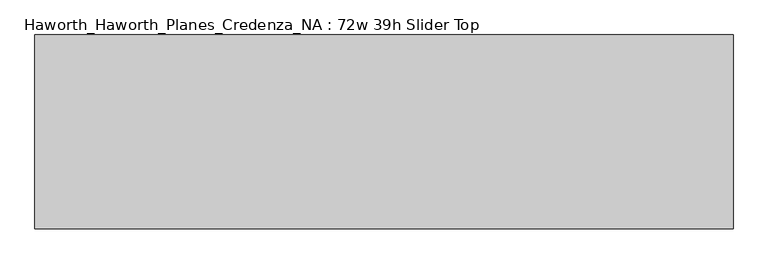
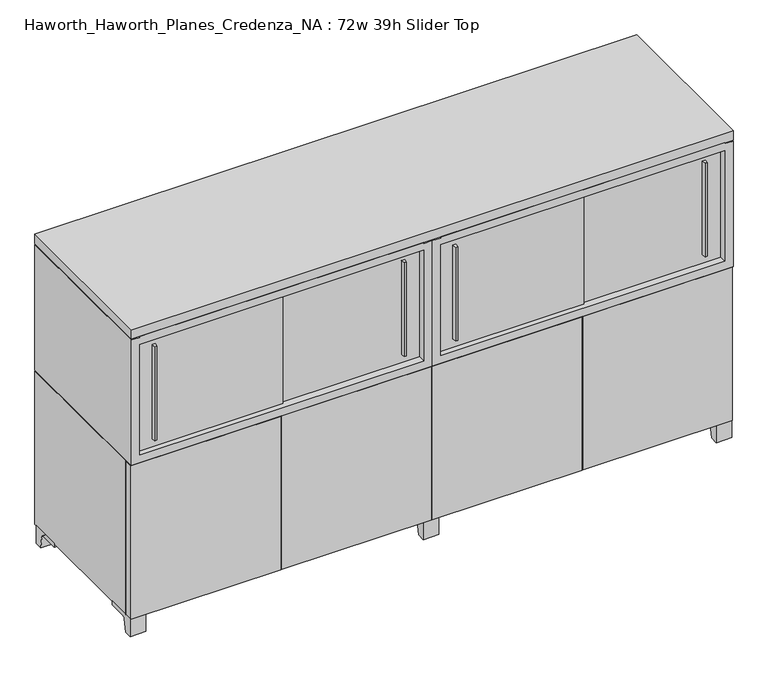
"""IFC4 building model written with IfcOpenShell, lengths in millimetres: furniture geometry, Haworth_Haworth_Planes_Credenza_NA : 72w 39h Slider Top."""

from ifc_helpers import new_model, si_unit, point, frame, frame_2d, origin, place, context, project, spatial, polyline, circle_curve, trimmed, segment, composite_curve, outline, extrude, faceted_brep, source, transform, mapped, element, save


def haworth_haworth_planes_credenza_na_72w_39h_slider_top_29de8403(model_context):
    return source(origin(), model_context, "Body", "SolidModel", [
        extrude(outline(composite_curve([segment(polyline([(-368.5593029, 0.0), (-392.900956, 0.0), (-392.900956, 57.15), (-297.650956, 57.15), (-297.650956, 44.45), (-355.7717125, 44.45)]), True, "CONTINUOUS"), segment(trimmed(circle_curve(frame_2d((-355.7717125, 38.1)), 6.35), [point((-355.7717125, 44.45))], [point((-362.0353139, 39.1439336))], True, "CARTESIAN"), True, "CONTINUOUS"), segment(polyline([(-362.0353139, 39.1439336), (-368.5593029, 0.0)]), True, "CONTINUOUS")], self_intersect=False)), frame((1182.3480475, 0.0, 0.0), z_axis=(1.0, 0.0, 0.0), x_axis=(0.0, 1.0, 0.0)), (0.0, 0.0, 1.0), 47.625),
        extrude(outline(composite_curve([segment(polyline([(78.0573909, 0.0), (71.533402, 39.1439336)]), True, "CONTINUOUS"), segment(trimmed(circle_curve(frame_2d((65.2698006, 38.1)), 6.35), [point((71.533402, 39.1439336))], [point((65.2698006, 44.45))], True, "CARTESIAN"), True, "CONTINUOUS"), segment(polyline([(65.2698006, 44.45), (7.149044, 44.45), (7.149044, 57.15), (102.399044, 57.15), (102.399044, 0.0), (78.0573909, 0.0)]), True, "CONTINUOUS")], self_intersect=False)), frame((1182.3480475, 0.0, 0.0), z_axis=(1.0, 0.0, 0.0), x_axis=(0.0, 1.0, 0.0)), (0.0, 0.0, 1.0), 47.625),
        extrude(outline(composite_curve([segment(polyline([(-368.5593029, 0.0), (-392.900956, 0.0), (-392.900956, 57.15), (-297.650956, 57.15), (-297.650956, 44.45), (-355.7717125, 44.45)]), True, "CONTINUOUS"), segment(trimmed(circle_curve(frame_2d((-355.7717125, 38.1)), 6.35), [point((-355.7717125, 44.45))], [point((-362.0353139, 39.1439336))], True, "CARTESIAN"), True, "CONTINUOUS"), segment(polyline([(-362.0353139, 39.1439336), (-368.5593029, 0.0)]), True, "CONTINUOUS")], self_intersect=False)), frame((-598.8269525, 0.0, 0.0), z_axis=(1.0, 0.0, 0.0), x_axis=(0.0, 1.0, 0.0)), (0.0, 0.0, 1.0), 47.625),
        extrude(outline(composite_curve([segment(polyline([(78.0573909, 0.0), (71.533402, 39.1439336)]), True, "CONTINUOUS"), segment(trimmed(circle_curve(frame_2d((65.2698006, 38.1)), 6.35), [point((71.533402, 39.1439336))], [point((65.2698006, 44.45))], True, "CARTESIAN"), True, "CONTINUOUS"), segment(polyline([(65.2698006, 44.45), (7.149044, 44.45), (7.149044, 57.15), (102.399044, 57.15), (102.399044, 0.0), (78.0573909, 0.0)]), True, "CONTINUOUS")], self_intersect=False)), frame((-598.8269525, 0.0, 0.0), z_axis=(1.0, 0.0, 0.0), x_axis=(0.0, 1.0, 0.0)), (0.0, 0.0, 1.0), 47.625),
        extrude(outline(composite_curve([segment(polyline([(-368.5593029, 0.0), (-392.900956, 0.0), (-392.900956, 57.15), (-297.650956, 57.15), (-297.650956, 44.45), (-355.7717125, 44.45)]), True, "CONTINUOUS"), segment(trimmed(circle_curve(frame_2d((-355.7717125, 38.1)), 6.35), [point((-355.7717125, 44.45))], [point((-362.0353139, 39.1439336))], True, "CARTESIAN"), True, "CONTINUOUS"), segment(polyline([(-362.0353139, 39.1439336), (-368.5593029, 0.0)]), True, "CONTINUOUS")], self_intersect=False)), frame((291.7605475, 0.0, 0.0), z_axis=(1.0, 0.0, 0.0), x_axis=(0.0, 1.0, 0.0)), (0.0, 0.0, 1.0), 47.625),
        extrude(outline(composite_curve([segment(polyline([(78.0573909, 0.0), (71.533402, 39.1439336)]), True, "CONTINUOUS"), segment(trimmed(circle_curve(frame_2d((65.2698006, 38.1)), 6.35), [point((71.533402, 39.1439336))], [point((65.2698006, 44.45))], True, "CARTESIAN"), True, "CONTINUOUS"), segment(polyline([(65.2698006, 44.45), (7.149044, 44.45), (7.149044, 57.15), (102.399044, 57.15), (102.399044, 0.0), (78.0573909, 0.0)]), True, "CONTINUOUS")], self_intersect=False)), frame((291.7605475, 0.0, 0.0), z_axis=(1.0, 0.0, 0.0), x_axis=(0.0, 1.0, 0.0)), (0.0, 0.0, 1.0), 47.625),
        extrude(outline(polyline([(315.5730475, -396.075956), (315.5730475, -370.675956), (771.1855475, -370.675956), (771.1855475, -396.075956), (315.5730475, -396.075956)])), frame((0.0, 0.0, 57.15), z_axis=(0.0, 0.0, 1.0), x_axis=(1.0, 0.0, 0.0)), (0.0, 0.0, 1.0), 493.7125),
        extrude(outline(polyline([(1229.9730475, -396.075956), (774.3605475, -396.075956), (774.3605475, -370.675956), (1229.9730475, -370.675956), (1229.9730475, -396.075956)])), frame((0.0, 0.0, 57.15), z_axis=(0.0, 0.0, 1.0), x_axis=(1.0, 0.0, 0.0)), (0.0, 0.0, 1.0), 493.7125),
        extrude(outline(polyline([(1156.9480478, -389.7259439), (1150.5980471, -389.7259439), (1149.0105486, -377.025956), (1158.5355463, -377.025956), (1156.9480478, -389.7259439)])), frame((0.0, 0.0, 606.425), z_axis=(0.0, 0.0, 1.0), x_axis=(1.0, 0.0, 0.0)), (0.0, 0.0, 1.0), 301.625),
        extrude(outline(polyline([(394.9480478, -396.0759439), (388.5980471, -396.0759439), (387.0105486, -383.375956), (396.5355463, -383.375956), (394.9480478, -396.0759439)])), frame((0.0, 0.0, 606.425), z_axis=(0.0, 0.0, 1.0), x_axis=(1.0, 0.0, 0.0)), (0.0, 0.0, 1.0), 301.625),
        extrude(outline(polyline([(340.9730475, -377.025956), (785.4730475, -377.025956), (785.4730475, -383.375956), (340.9730475, -383.375956), (340.9730475, -377.025956)])), frame((0.0, 0.0, 579.4375), z_axis=(0.0, 0.0, 1.0), x_axis=(1.0, 0.0, 0.0)), (0.0, 0.0, 1.0), 355.6),
        extrude(outline(polyline([(760.0730475, -370.675956), (1204.5730475, -370.675956), (1204.5730475, -377.025956), (760.0730475, -377.025956), (760.0730475, -370.675956)])), frame((0.0, 0.0, 579.4375), z_axis=(0.0, 0.0, 1.0), x_axis=(1.0, 0.0, 0.0)), (0.0, 0.0, 1.0), 355.6),
        faceted_brep([(315.5730475, -370.675956, 550.8625), (315.5730475, -370.675956, 57.15), (1229.9730475, -370.675956, 57.15), (1229.9730475, -370.675956, 550.8625), (1204.5730475, -370.675956, 550.8625), (1204.5730475, -370.675956, 554.0375), (340.9730475, -370.675956, 554.0375), (340.9730475, -370.675956, 550.8625), (315.5730475, 108.749044, 550.8625), (1229.9730475, 108.749044, 550.8625), (1229.9730475, 108.749044, 57.15), (315.5730475, 108.749044, 57.15), (340.9730475, 83.349044, 550.8625), (1204.5730475, 83.349044, 550.8625), (340.9730475, 83.349044, 554.0375), (1204.5730475, 83.349044, 554.0375)], [[[0, 1, 2, 3, 4, 5, 6, 7]], [[8, 9, 10, 11]], [[1, 0, 8, 11]], [[2, 1, 11, 10]], [[3, 2, 10, 9]], [[9, 8, 0, 7, 12, 13, 4, 3]], [[14, 15, 13, 12]], [[7, 6, 14, 12]], [[5, 4, 13, 15]], [[6, 5, 15, 14]]]),
        faceted_brep([(1204.5730475, -399.250956, 960.4375), (340.9730475, -399.250956, 960.4375), (340.9730475, -399.250956, 957.2625), (315.5730475, -399.250956, 957.2625), (315.5730475, -399.250956, 554.0375), (1229.9730475, -399.250956, 554.0375), (1229.9730475, -399.250956, 957.2625), (1204.5730475, -399.250956, 957.2625), (1204.5730475, -399.250956, 935.0375), (1204.5730475, -399.250956, 579.4375), (340.9730475, -399.250956, 579.4375), (340.9730475, -399.250956, 935.0375), (1204.5730475, 83.349044, 960.4375), (1204.5730475, 83.349044, 957.2625), (340.9730475, 83.349044, 957.2625), (340.9730475, 83.349044, 960.4375), (315.5730475, 108.749044, 957.2625), (315.5730475, 108.749044, 554.0375), (1229.9730475, 108.749044, 554.0375), (1229.9730475, 108.749044, 957.2625), (1204.5730475, 83.349044, 935.0375), (1204.5730475, 83.349044, 579.4375), (340.9730475, 83.349044, 579.4375), (340.9730475, 83.349044, 935.0375)], [[[0, 1, 2, 3, 4, 5, 6, 7], [8, 9, 10, 11]], [[12, 13, 14, 15]], [[1, 0, 12, 15]], [[4, 3, 16, 17]], [[5, 4, 17, 18]], [[6, 5, 18, 19]], [[9, 8, 20, 21]], [[10, 9, 21, 22]], [[11, 10, 22, 23]], [[8, 11, 23, 20]], [[21, 20, 23, 22]], [[19, 18, 17, 16]], [[2, 1, 15, 14]], [[16, 3, 2, 14, 13, 7, 6, 19]], [[0, 7, 13, 12]]]),
        extrude(outline(polyline([(-598.8269525, -396.075956), (-598.8269525, -370.675956), (-143.2144525, -370.675956), (-143.2144525, -396.075956), (-598.8269525, -396.075956)])), frame((0.0, 0.0, 57.15), z_axis=(0.0, 0.0, 1.0), x_axis=(1.0, 0.0, 0.0)), (0.0, 0.0, 1.0), 493.7125),
        extrude(outline(polyline([(315.5730475, -396.075956), (-140.0394525, -396.075956), (-140.0394525, -370.675956), (315.5730475, -370.675956), (315.5730475, -396.075956)])), frame((0.0, 0.0, 57.15), z_axis=(0.0, 0.0, 1.0), x_axis=(1.0, 0.0, 0.0)), (0.0, 0.0, 1.0), 493.7125),
        extrude(outline(polyline([(242.5480478, -389.7259439), (236.1980471, -389.7259439), (234.6105486, -377.025956), (244.1355463, -377.025956), (242.5480478, -389.7259439)])), frame((0.0, 0.0, 606.425), z_axis=(0.0, 0.0, 1.0), x_axis=(1.0, 0.0, 0.0)), (0.0, 0.0, 1.0), 301.625),
        extrude(outline(polyline([(-519.4519522, -396.0759439), (-525.8019529, -396.0759439), (-527.3894514, -383.375956), (-517.8644537, -383.375956), (-519.4519522, -396.0759439)])), frame((0.0, 0.0, 606.425), z_axis=(0.0, 0.0, 1.0), x_axis=(1.0, 0.0, 0.0)), (0.0, 0.0, 1.0), 301.625),
        extrude(outline(polyline([(-573.4269525, -377.025956), (-128.9269525, -377.025956), (-128.9269525, -383.375956), (-573.4269525, -383.375956), (-573.4269525, -377.025956)])), frame((0.0, 0.0, 579.4375), z_axis=(0.0, 0.0, 1.0), x_axis=(1.0, 0.0, 0.0)), (0.0, 0.0, 1.0), 355.6),
        extrude(outline(polyline([(-154.3269525, -370.675956), (290.1730475, -370.675956), (290.1730475, -377.025956), (-154.3269525, -377.025956), (-154.3269525, -370.675956)])), frame((0.0, 0.0, 579.4375), z_axis=(0.0, 0.0, 1.0), x_axis=(1.0, 0.0, 0.0)), (0.0, 0.0, 1.0), 355.6),
        faceted_brep([(-598.8269525, -370.675956, 550.8625), (-598.8269525, -370.675956, 57.15), (315.5730475, -370.675956, 57.15), (315.5730475, -370.675956, 550.8625), (290.1730475, -370.675956, 550.8625), (290.1730475, -370.675956, 554.0375), (-573.4269525, -370.675956, 554.0375), (-573.4269525, -370.675956, 550.8625), (-598.8269525, 108.749044, 550.8625), (315.5730475, 108.749044, 550.8625), (315.5730475, 108.749044, 57.15), (-598.8269525, 108.749044, 57.15), (-573.4269525, 83.349044, 550.8625), (290.1730475, 83.349044, 550.8625), (-573.4269525, 83.349044, 554.0375), (290.1730475, 83.349044, 554.0375)], [[[0, 1, 2, 3, 4, 5, 6, 7]], [[8, 9, 10, 11]], [[1, 0, 8, 11]], [[2, 1, 11, 10]], [[3, 2, 10, 9]], [[9, 8, 0, 7, 12, 13, 4, 3]], [[14, 15, 13, 12]], [[7, 6, 14, 12]], [[5, 4, 13, 15]], [[6, 5, 15, 14]]]),
        faceted_brep([(290.1730475, -399.250956, 960.4375), (-573.4269525, -399.250956, 960.4375), (-573.4269525, -399.250956, 957.2625), (-598.8269525, -399.250956, 957.2625), (-598.8269525, -399.250956, 554.0375), (315.5730475, -399.250956, 554.0375), (315.5730475, -399.250956, 957.2625), (290.1730475, -399.250956, 957.2625), (290.1730475, -399.250956, 935.0375), (290.1730475, -399.250956, 579.4375), (-573.4269525, -399.250956, 579.4375), (-573.4269525, -399.250956, 935.0375), (290.1730475, 83.349044, 960.4375), (290.1730475, 83.349044, 957.2625), (-573.4269525, 83.349044, 957.2625), (-573.4269525, 83.349044, 960.4375), (-598.8269525, 108.749044, 957.2625), (-598.8269525, 108.749044, 554.0375), (315.5730475, 108.749044, 554.0375), (315.5730475, 108.749044, 957.2625), (290.1730475, 83.349044, 935.0375), (290.1730475, 83.349044, 579.4375), (-573.4269525, 83.349044, 579.4375), (-573.4269525, 83.349044, 935.0375)], [[[0, 1, 2, 3, 4, 5, 6, 7], [8, 9, 10, 11]], [[12, 13, 14, 15]], [[1, 0, 12, 15]], [[4, 3, 16, 17]], [[5, 4, 17, 18]], [[6, 5, 18, 19]], [[9, 8, 20, 21]], [[10, 9, 21, 22]], [[11, 10, 22, 23]], [[8, 11, 23, 20]], [[21, 20, 23, 22]], [[19, 18, 17, 16]], [[2, 1, 15, 14]], [[16, 3, 2, 14, 13, 7, 6, 19]], [[0, 7, 13, 12]]]),
        extrude(outline(polyline([(1229.9730475, 108.749044), (1229.9730475, -399.250956), (-598.8269525, -399.250956), (-598.8269525, 108.749044), (1229.9730475, 108.749044)])), frame((0.0, 0.0, 960.4375), z_axis=(0.0, 0.0, 1.0), x_axis=(1.0, 0.0, 0.0)), (0.0, 0.0, 1.0), 30.1625),
    ])


if __name__ == "__main__":
    model = new_model("IFC4")
    model_context = context("Model", 3, world=origin())
    ifc_project = project(units=[si_unit("LENGTHUNIT", "METRE", prefix="MILLI")], contexts=[model_context])
    site = spatial("IfcSite", under=ifc_project)
    building = spatial("IfcBuilding", under=site)
    placement = place(None, origin())
    haworth_haworth_planes_credenza_na_72w_39h_slider_top_shape = haworth_haworth_planes_credenza_na_72w_39h_slider_top_29de8403(model_context)
    element("IfcFurniture", 1, ObjectType="Haworth_Haworth_Planes_Credenza_NA : 72w 39h Slider Top", at=placement, inside=building, context=model_context, shape_type="MappedRepresentation", body=[
        mapped(haworth_haworth_planes_credenza_na_72w_39h_slider_top_shape, transform((0.0, 0.0, 0.0), x_axis=(1.0, 0.0, 0.0), y_axis=(0.0, 1.0, 0.0), z_axis=(0.0, 0.0, 1.0))),
    ])
    save(model, "model.ifc")
